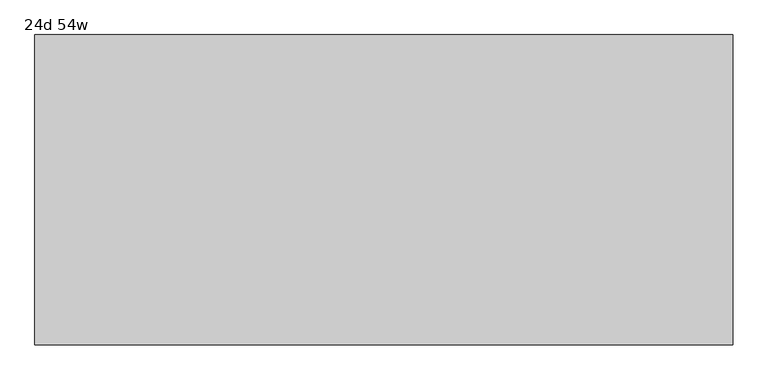
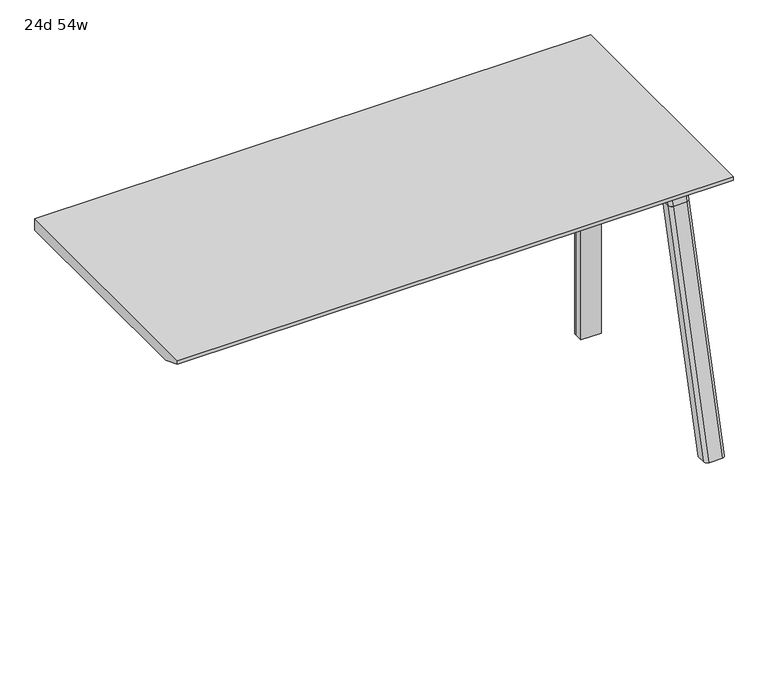
"""IFC4 building model written with IfcOpenShell, lengths in millimetres: furniture geometry, 24d 54w."""

from ifc_helpers import new_model, si_unit, point, frame, frame_2d, origin, place, context, project, spatial, polyline, circle_curve, ellipse_curve, trimmed, segment, composite_curve, outline, extrude, source, transform, mapped, element, save
from ifc_brep_helpers import plane_surface, cylinder_surface, revolved_surface, advanced_brep


def furniture_24d_54w_15d940d8(model_context):
    return source(origin(), model_context, "Body", "SolidModel", [
        extrude(outline(composite_curve([segment(polyline([(-258.4909766, 711.2), (-267.5490774, 677.3947076)]), True, "CONTINUOUS"), segment(trimmed(circle_curve(frame_2d((-282.8831499, 681.5034599)), 15.875), [point((-267.5490774, 677.3947076))], [point((-282.8831499, 665.6284599))], False, "CARTESIAN"), True, "CONTINUOUS"), segment(polyline([(-282.8831499, 665.6284599), (-553.1863033, 665.6284599)]), True, "CONTINUOUS"), segment(trimmed(circle_curve(frame_2d((-553.1863033, 681.5034599)), 15.875), [point((-553.1863033, 665.6284599))], [point((-568.5203758, 677.3947076))], False, "CARTESIAN"), True, "CONTINUOUS"), segment(polyline([(-568.5203758, 677.3947076), (-577.5784766, 711.2), (-258.4909766, 711.2)]), True, "CONTINUOUS")], self_intersect=False)), frame((850.9, 0.0, 0.0), z_axis=(1.0, 0.0, 0.0), x_axis=(0.0, 1.0, 0.0)), (0.0, 0.0, 1.0), 38.1),
        extrude(outline(polyline([(895.35, -318.8159766), (895.35, -517.2534766), (844.55, -517.2534766), (844.55, -318.8159766), (895.35, -318.8159766)])), frame((0.0, 0.0, 635.6476591), z_axis=(0.0, 0.0, 1.0), x_axis=(1.0, 0.0, 0.0)), (0.0, 0.0, 1.0), 29.9808008),
        advanced_brep(
        [(895.35, -258.4446478, 711.2), (895.35, -267.5027486, 677.3947076), (895.35, -282.8368211, 665.6284599), (895.35, -318.8159766, 665.6284599), (895.35, -318.8159766, 635.6476591), (895.35, -307.7034766, 635.6476591), (895.35, -256.9034766, 584.8476591), (895.35, -256.9034766, 576.659375), (895.35, -234.6784766, 576.659375), (895.35, -234.6784766, 711.2), (844.55, -256.9034766, 576.659375), (844.55, -256.9034766, 584.8476591), (844.55, -307.7034766, 635.6476591), (844.55, -318.8159766, 635.6476591), (844.55, -318.8159766, 665.6284599), (844.55, -282.8368211, 665.6284599), (844.55, -267.5027486, 677.3947076), (844.55, -258.4446478, 711.2), (844.55, -234.6784766, 711.2), (844.55, -234.6784766, 576.659375), (885.825, -225.1534766, 711.2), (854.075, -225.1534766, 711.2), (854.075, -225.1534766, 576.659375), (885.825, -225.1534766, 576.659375)],
        [
            (0, 1),
            (1, 2, circle_curve(frame((895.35, -282.8368211, 681.5034599), z_axis=(-1.0, 0.0, 0.0), x_axis=(0.0, 1.0, 0.0)), 15.875)),
            (2, 3),
            (3, 4),
            (4, 5),
            (5, 6, circle_curve(frame((895.35, -307.7034766, 584.8476591), z_axis=(-1.0, 0.0, 0.0), x_axis=(0.0, 1.0, 0.0)), 50.8)),
            (6, 7),
            (7, 8),
            (8, 9),
            (9, 0),
            (10, 11),
            (11, 12, circle_curve(frame((844.55, -307.7034766, 584.8476591), z_axis=(1.0, 0.0, 0.0), x_axis=(0.0, 1.0, 0.0)), 50.8)),
            (12, 13),
            (13, 14),
            (14, 15),
            (15, 16, circle_curve(frame((844.55, -282.8368211, 681.5034599), z_axis=(1.0, 0.0, 0.0), x_axis=(0.0, 1.0, 0.0)), 15.875)),
            (16, 17),
            (17, 18),
            (18, 19),
            (19, 10),
            (17, 0),
            (9, 20, circle_curve(frame((885.825, -234.6784766, 711.2), z_axis=(0.0, 0.0, 1.0), x_axis=(-1.0, 0.0, 0.0)), 9.525)),
            (20, 21),
            (21, 18, circle_curve(frame((854.075, -234.6784766, 711.2), z_axis=(0.0, 0.0, 1.0), x_axis=(-1.0, 0.0, 0.0)), 9.525)),
            (16, 1),
            (15, 2),
            (14, 3),
            (13, 4),
            (12, 5),
            (7, 10),
            (19, 22, circle_curve(frame((854.075, -234.6784766, 576.659375), z_axis=(0.0, 0.0, -1.0), x_axis=(-1.0, 0.0, 0.0)), 9.525)),
            (22, 23),
            (23, 8, circle_curve(frame((885.825, -234.6784766, 576.659375), z_axis=(0.0, 0.0, -1.0), x_axis=(-1.0, 0.0, 0.0)), 9.525)),
            (11, 6),
            (23, 20),
            (21, 22),
        ],
        [
            plane_surface(frame((895.35, -218.226947, 711.2), z_axis=(1.0, 0.0, 0.0), x_axis=(0.0, -1.0, 0.0))),
            plane_surface(frame((844.55, -218.226947, 711.2), z_axis=(-1.0, 0.0, 0.0), x_axis=(0.0, 1.0, 0.0))),
            plane_surface(frame((895.35, -218.226947, 711.2), z_axis=(0.0, 0.0, 1.0), x_axis=(-1.0, 0.0, 0.0))),
            plane_surface(frame((895.35, -258.4446478, 711.2), z_axis=(0.0, -0.9659258262890683, 0.2588190451025207), x_axis=(-1.0, 0.0, 0.0))),
            revolved_surface(polyline([(844.55, -266.9618211, 681.5034599), (895.35, -266.9618211, 681.5034599)]), (844.55, -282.8368211, 681.5034599), (-1.0, 0.0, 0.0)),
            plane_surface(frame((895.35, -282.8368211, 665.6284599), z_axis=(0.0, 0.0, 1.0), x_axis=(-1.0, 0.0, 0.0))),
            plane_surface(frame((895.35, -318.8159766, 665.6284599), z_axis=(0.0, -1.0, 0.0), x_axis=(-1.0, 0.0, 0.0))),
            plane_surface(frame((895.35, -318.8159766, 635.6476591), z_axis=(0.0, 0.0, -1.0), x_axis=(-1.0, 0.0, 0.0))),
            plane_surface(frame((895.35, -256.9034766, 576.659375), z_axis=(0.0, 0.0, -1.0), x_axis=(-1.0, 0.0, 0.0))),
            revolved_surface(polyline([(844.55, -256.9034766, 584.8476591), (895.35, -256.9034766, 584.8476591)]), (844.55, -307.7034766, 584.8476591), (-1.0, 0.0, 0.0)),
            plane_surface(frame((895.35, -256.9034766, 584.8476591), z_axis=(0.0, -1.0, 0.0), x_axis=(-1.0, 0.0, 0.0))),
            cylinder_surface(frame((885.825, -234.6784766, 524.9807374), z_axis=(0.0, 0.0, -1.0), x_axis=(-1.0, 0.0, 0.0)), 9.525),
            cylinder_surface(frame((854.075, -234.6784766, 524.9807374), z_axis=(0.0, 0.0, -1.0), x_axis=(-1.0, 0.0, 0.0)), 9.525),
            plane_surface(frame((854.075, -225.1534766, 711.2), z_axis=(0.0, 1.0, 0.0), x_axis=(0.0, 0.0, -1.0))),
        ],
        [
            (0, [[1, 2, 3, 4, 5, 6, 7, 8, 9, 10]]),
            (1, [[11, 12, 13, 14, 15, 16, 17, 18, 19, 20]]),
            (2, [[21, -10, 22, 23, 24, -18]]),
            (3, [[-1, -21, -17, 25]]),
            (4, [[-2, -25, -16, 26]]),
            (5, [[-3, -26, -15, 27]]),
            (6, [[-4, -27, -14, 28]]),
            (7, [[-5, -28, -13, 29]]),
            (8, [[30, -20, 31, 32, 33, -8]]),
            (9, [[-6, -29, -12, 34]]),
            (10, [[-7, -34, -11, -30]]),
            (11, [[35, -22, -9, -33]]),
            (12, [[36, -31, -19, -24]]),
            (13, [[-35, -32, -36, -23]]),
        ],
    ),
        advanced_brep(
        [(844.55, -256.9034766, 576.659375), (895.35, -256.9034766, 576.659375), (895.35, -234.6784766, 576.659375), (885.825, -225.1534766, 576.659375), (854.075, -225.1534766, 576.659375), (844.55, -234.6784766, 576.659375), (844.55, -256.9034766, 0.0), (844.55, -234.6784766, 0.0), (854.075, -225.1534766, 0.0), (885.825, -225.1534766, 0.0), (895.35, -234.6784766, 0.0), (895.35, -256.9034766, 0.0), (895.35, -234.6784766, 524.9807374), (885.825, -225.1534766, 524.9807374), (854.075, -225.1534766, 524.9807374), (844.55, -234.6784766, 524.9807374)],
        [
            (0, 1),
            (1, 2),
            (2, 3, circle_curve(frame((885.825, -234.6784766, 576.659375), z_axis=(0.0, 0.0, 1.0), x_axis=(-1.0, 0.0, 0.0)), 9.525)),
            (3, 4),
            (4, 5, circle_curve(frame((854.075, -234.6784766, 576.659375), z_axis=(0.0, 0.0, 1.0), x_axis=(-1.0, 0.0, 0.0)), 9.525)),
            (5, 0),
            (6, 7),
            (7, 8, circle_curve(frame((854.075, -234.6784766, 0.0), z_axis=(0.0, 0.0, -1.0), x_axis=(-1.0, 0.0, 0.0)), 9.525)),
            (8, 9),
            (9, 10, circle_curve(frame((885.825, -234.6784766, 0.0), z_axis=(0.0, 0.0, -1.0), x_axis=(-1.0, 0.0, 0.0)), 9.525)),
            (10, 11),
            (11, 6),
            (0, 6),
            (11, 1),
            (10, 12),
            (12, 2),
            (9, 13),
            (13, 3),
            (8, 14),
            (14, 4),
            (7, 15),
            (15, 5),
        ],
        [
            plane_surface(frame((902.5462903, -256.9034766, 576.659375), z_axis=(0.0, 0.0, 1.0), x_axis=(1.0, 0.0, 0.0))),
            plane_surface(frame((902.5462903, -256.9034766, 0.0), z_axis=(0.0, 0.0, -1.0), x_axis=(-1.0, 0.0, 0.0))),
            plane_surface(frame((844.55, -256.9034766, 576.659375), z_axis=(0.0, -1.0, 0.0), x_axis=(0.0, 0.0, -1.0))),
            plane_surface(frame((895.35, -256.9034766, 576.659375), z_axis=(1.0, 0.0, 0.0), x_axis=(0.0, 0.0, -1.0))),
            cylinder_surface(frame((885.825, -234.6784766, 0.0), z_axis=(0.0, 0.0, 1.0), x_axis=(-1.0, 0.0, 0.0)), 9.525),
            plane_surface(frame((885.825, -225.1534766, 576.659375), z_axis=(0.0, 1.0, 0.0), x_axis=(0.0, 0.0, -1.0))),
            cylinder_surface(frame((854.075, -234.6784766, 0.0), z_axis=(0.0, 0.0, 1.0), x_axis=(-1.0, 0.0, 0.0)), 9.525),
            plane_surface(frame((844.55, -234.6784766, 576.659375), z_axis=(-1.0, 0.0, 0.0), x_axis=(0.0, 0.0, -1.0))),
        ],
        [
            (0, [[1, 2, 3, 4, 5, 6]]),
            (1, [[7, 8, 9, 10, 11, 12]]),
            (2, [[-1, 13, -12, 14]]),
            (3, [[-2, -14, -11, 15, 16]]),
            (4, [[-3, -16, -15, -10, 17, 18]]),
            (5, [[-4, -18, -17, -9, 19, 20]]),
            (6, [[-5, -20, -19, -8, 21, 22]]),
            (7, [[-6, -22, -21, -7, -13]]),
        ],
    ),
        advanced_brep(
        [(844.55, -571.2748053, 711.2), (844.55, -562.2167045, 677.3947076), (844.55, -546.882632, 665.6284599), (844.55, -517.2534766, 665.6284599), (844.55, -517.2534766, 635.6476591), (844.55, -540.1247088, 635.6476591), (844.55, -604.5278133, 586.2294189), (844.55, -607.0860254, 576.6820411), (844.55, -628.1899953, 576.6820411), (844.55, -592.7413517, 711.2), (895.35, -607.0860254, 576.6820411), (895.35, -604.5278133, 586.2294189), (895.35, -540.1247088, 635.6476591), (895.35, -517.2534766, 635.6476591), (895.35, -517.2534766, 665.6284599), (895.35, -546.882632, 665.6284599), (895.35, -562.2167045, 677.3947076), (895.35, -571.2748053, 711.2), (895.35, -592.7413517, 711.2), (895.35, -628.1899953, 576.6820411), (850.8138162, -601.9961962, 711.2), (889.0861838, -601.9961962, 711.2), (885.825, -638.0401747, 576.6820411), (854.075, -638.0401747, 576.6820411)],
        [
            (0, 1),
            (1, 2, circle_curve(frame((844.55, -546.882632, 681.5034599), z_axis=(1.0, 0.0, 0.0), x_axis=(0.0, -1.0, 0.0)), 15.875)),
            (2, 3),
            (3, 4),
            (4, 5),
            (5, 6, circle_curve(frame((844.55, -540.1247088, 568.9726591), z_axis=(1.0, 0.0, 0.0), x_axis=(0.0, -1.0, 0.0)), 66.675)),
            (6, 7),
            (7, 8),
            (8, 9),
            (9, 0),
            (10, 11),
            (11, 12, circle_curve(frame((895.35, -540.1247088, 568.9726591), z_axis=(-1.0, 0.0, 0.0), x_axis=(0.0, -1.0, 0.0)), 66.675)),
            (12, 13),
            (13, 14),
            (14, 15),
            (15, 16, circle_curve(frame((895.35, -546.882632, 681.5034599), z_axis=(-1.0, 0.0, 0.0), x_axis=(0.0, -1.0, 0.0)), 15.875)),
            (16, 17),
            (17, 18),
            (18, 19),
            (19, 10),
            (17, 0),
            (9, 20, ellipse_curve(frame((854.075, -592.7413517, 711.2), z_axis=(0.0, 0.0, 1.0), x_axis=(0.0, -1.0, 0.0)), 9.8501793, 9.525)),
            (20, 21),
            (21, 18, ellipse_curve(frame((885.825, -592.7413517, 711.2), z_axis=(0.0, 0.0, 1.0), x_axis=(0.0, -1.0, 0.0)), 9.8501793, 9.525)),
            (16, 1),
            (15, 2),
            (14, 3),
            (13, 4),
            (12, 5),
            (11, 6),
            (10, 7),
            (19, 22, ellipse_curve(frame((885.825, -628.1899953, 576.6820411), z_axis=(0.0, 0.0, -1.0), x_axis=(0.0, -1.0, 0.0)), 9.8501793, 9.525)),
            (22, 23),
            (23, 8, ellipse_curve(frame((854.075, -628.1899953, 576.6820411), z_axis=(0.0, 0.0, -1.0), x_axis=(0.0, -1.0, 0.0)), 9.8501793, 9.525)),
            (20, 23, ellipse_curve(frame((854.075, -41.6704606, 2802.3641142), z_axis=(0.0, -0.9659258262890684, 0.2588190451025206), x_axis=(0.0, -0.2588190451025206, -0.9659258262890684)), 2304.1956354, 9.525)),
            (22, 21, ellipse_curve(frame((885.825, -41.6704606, 2802.3641142), z_axis=(0.0, -0.9659258262890684, 0.2588190451025206), x_axis=(0.0, -0.2588190451025206, -0.9659258262890684)), 2304.1956354, 9.525)),
        ],
        [
            plane_surface(frame((844.55, -601.9961962, 711.2), z_axis=(-1.0, 0.0, 0.0), x_axis=(0.0, 1.0, 0.0))),
            plane_surface(frame((895.35, -601.9961962, 711.2), z_axis=(1.0, 0.0, 0.0), x_axis=(0.0, -1.0, 0.0))),
            plane_surface(frame((844.55, -601.9961962, 711.2), z_axis=(0.0, 0.0, 1.0), x_axis=(1.0, 0.0, 0.0))),
            plane_surface(frame((844.55, -571.2748053, 711.2), z_axis=(0.0, 0.9659258262890683, 0.2588190451025207), x_axis=(1.0, 0.0, 0.0))),
            revolved_surface(polyline([(895.35, -562.757632, 681.5034599), (844.55, -562.757632, 681.5034599)]), (895.35, -546.882632, 681.5034599), (1.0, 0.0, 0.0)),
            plane_surface(frame((844.55, -546.882632, 665.6284599), z_axis=(0.0, 0.0, 1.0), x_axis=(1.0, 0.0, 0.0))),
            plane_surface(frame((844.55, -517.2534766, 665.6284599), z_axis=(0.0, 1.0, 0.0), x_axis=(1.0, 0.0, 0.0))),
            plane_surface(frame((844.55, -517.2534766, 635.6476591), z_axis=(0.0, 0.0, -1.0), x_axis=(1.0, 0.0, 0.0))),
            revolved_surface(polyline([(895.35, -606.7997088, 568.9726591), (844.55, -606.7997088, 568.9726591)]), (895.35, -540.1247088, 568.9726591), (1.0, 0.0, 0.0)),
            plane_surface(frame((844.55, -604.5278133, 586.2294189), z_axis=(0.0, 0.9659258262890693, -0.25881904510251696), x_axis=(1.0, 0.0, 0.0))),
            plane_surface(frame((844.55, -607.0860254, 576.6820411), z_axis=(0.0, 0.0, -1.0), x_axis=(1.0, 0.0, 0.0))),
            plane_surface(frame((844.55, -638.0401747, 576.6820411), z_axis=(0.0, -0.9659258262890684, 0.2588190451025206), x_axis=(1.0, 0.0, 0.0))),
            cylinder_surface(frame((854.075, -780.7988902, -2.4271979), z_axis=(0.0, -0.25482392474081483, -0.966987470125486), x_axis=(1.0, 0.0, 0.0)), 9.525),
            cylinder_surface(frame((885.825, -780.7988902, -2.4271979), z_axis=(0.0, -0.25482392474081483, -0.966987470125486), x_axis=(1.0, 0.0, 0.0)), 9.525),
        ],
        [
            (0, [[1, 2, 3, 4, 5, 6, 7, 8, 9, 10]]),
            (1, [[11, 12, 13, 14, 15, 16, 17, 18, 19, 20]]),
            (2, [[21, -10, 22, 23, 24, -18]]),
            (3, [[-1, -21, -17, 25]]),
            (4, [[-2, -25, -16, 26]]),
            (5, [[-3, -26, -15, 27]]),
            (6, [[-4, -27, -14, 28]]),
            (7, [[-5, -28, -13, 29]]),
            (8, [[-6, -29, -12, 30]]),
            (9, [[-7, -30, -11, 31]]),
            (10, [[-31, -20, 32, 33, 34, -8]]),
            (11, [[-23, 35, -33, 36]]),
            (12, [[-9, -34, -35, -22]]),
            (13, [[-19, -24, -36, -32]]),
        ],
    ),
        advanced_brep(
        [(844.55, -607.0860254, 576.6820411), (844.55, -759.0552966, 0.0), (844.55, -780.1592665, 0.0), (844.55, -628.1899953, 576.6820411), (895.35, -759.0552966, 0.0), (895.35, -607.0860254, 576.6820411), (895.35, -628.1899953, 576.6820411), (895.35, -780.1592665, 0.0), (854.075, -638.0401747, 576.6820411), (885.825, -638.0401747, 576.6820411), (885.825, -790.0094458, 0.0), (854.075, -790.0094458, 0.0)],
        [
            (0, 1),
            (1, 2),
            (2, 3),
            (3, 0),
            (4, 5),
            (5, 6),
            (6, 7),
            (7, 4),
            (5, 0),
            (3, 8, ellipse_curve(frame((854.075, -628.1899953, 576.6820411), z_axis=(0.0, 0.0, 1.0), x_axis=(0.0, -1.0, 0.0)), 9.8501793, 9.525)),
            (8, 9),
            (9, 6, ellipse_curve(frame((885.825, -628.1899953, 576.6820411), z_axis=(0.0, 0.0, 1.0), x_axis=(0.0, -1.0, 0.0)), 9.8501793, 9.525)),
            (4, 1),
            (7, 10, ellipse_curve(frame((885.825, -780.1592665, 0.0), z_axis=(0.0, 0.0, -1.0), x_axis=(0.0, -1.0, 0.0)), 9.8501793, 9.525)),
            (10, 11),
            (11, 2, ellipse_curve(frame((854.075, -780.1592665, 0.0), z_axis=(0.0, 0.0, -1.0), x_axis=(0.0, -1.0, 0.0)), 9.8501793, 9.525)),
            (8, 11),
            (10, 9),
        ],
        [
            plane_surface(frame((844.55, -638.0401747, 576.6820411), z_axis=(-1.0, 0.0, 0.0), x_axis=(0.0, 1.0, 0.0))),
            plane_surface(frame((895.35, -638.0401747, 576.6820411), z_axis=(1.0, 0.0, 0.0), x_axis=(0.0, -1.0, 0.0))),
            plane_surface(frame((844.55, -638.0401747, 576.6820411), z_axis=(0.0, 0.0, 1.0), x_axis=(1.0, 0.0, 0.0))),
            plane_surface(frame((844.55, -607.0860254, 576.6820411), z_axis=(0.0, 0.9669874701254844, -0.2548239247408208), x_axis=(1.0, 0.0, 0.0))),
            plane_surface(frame((844.55, -759.0552966, 0.0), z_axis=(0.0, 0.0, -1.0), x_axis=(1.0, 0.0, 0.0))),
            plane_surface(frame((844.55, -790.0094458, 0.0), z_axis=(0.0, -0.9669874701254855, 0.2548239247408166), x_axis=(1.0, 0.0, 0.0))),
            cylinder_surface(frame((854.075, -780.7988902, -2.4271979), z_axis=(0.0, -0.25482392474081483, -0.966987470125486), x_axis=(1.0, 0.0, 0.0)), 9.525),
            cylinder_surface(frame((885.825, -780.7988902, -2.4271979), z_axis=(0.0, -0.25482392474081483, -0.966987470125486), x_axis=(1.0, 0.0, 0.0)), 9.525),
        ],
        [
            (0, [[1, 2, 3, 4]]),
            (1, [[5, 6, 7, 8]]),
            (2, [[9, -4, 10, 11, 12, -6]]),
            (3, [[-1, -9, -5, 13]]),
            (4, [[-13, -8, 14, 15, 16, -2]]),
            (5, [[-11, 17, -15, 18]]),
            (6, [[-3, -16, -17, -10]]),
            (7, [[-7, -12, -18, -14]]),
        ],
    ),
        extrude(outline(polyline([(-809.3534766, 741.3625), (-199.7534766, 741.3625), (-199.7534766, 711.2), (-758.5534766, 711.2), (-809.3534766, 731.8375), (-809.3534766, 741.3625)])), frame((-469.9, 0.0, 0.0), z_axis=(1.0, 0.0, 0.0), x_axis=(0.0, 1.0, 0.0)), (0.0, 0.0, 1.0), 1371.6),
    ])


if __name__ == "__main__":
    model = new_model("IFC4")
    model_context = context("Model", 3, world=origin())
    ifc_project = project(units=[si_unit("LENGTHUNIT", "METRE", prefix="MILLI")], contexts=[model_context])
    site = spatial("IfcSite", under=ifc_project)
    building = spatial("IfcBuilding", under=site)
    placement = place(None, origin())
    furniture_24d_54w_shape = furniture_24d_54w_15d940d8(model_context)
    element("IfcFurniture", 1, ObjectType="24d 54w", at=placement, inside=building, context=model_context, shape_type="MappedRepresentation", body=[
        mapped(furniture_24d_54w_shape, transform((0.0, 0.0, 0.0), x_axis=(1.0, 0.0, 0.0), y_axis=(0.0, 1.0, 0.0), z_axis=(0.0, 0.0, 1.0))),
    ])
    save(model, "model.ifc")
